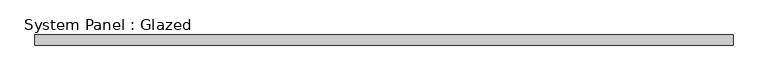
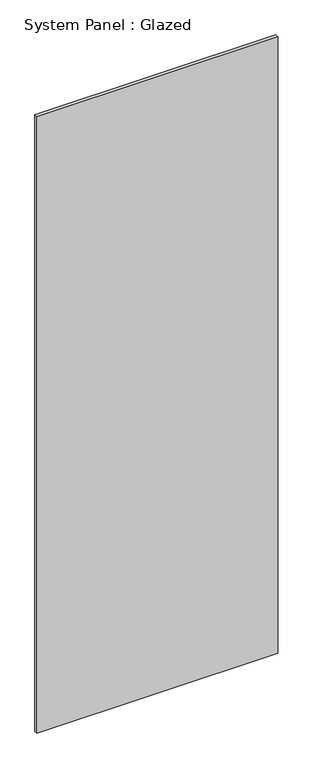
"""IFC4 building model written with IfcOpenShell, lengths in millimetres: plate geometry, System Panel : Glazed."""

import ifcopenshell
import ifcopenshell.guid

model = None  # the IFC model being written
_history = None  # IfcOwnerHistory: only IFC2X3 demands one
_inside = {}  # id of a spatial element -> (the spatial element, [elements in it])
_under = {}  # id of a project, library or spatial element -> (it, [spatial elements below it])
_declared = {}  # id of a project -> (the project, [libraries it declares])
_typed = {}  # id of a type object -> (the type object, [elements of that type])
_made_of = {}  # id of a material, layer set ... -> (it, [elements and type objects made of it])


def new_model(schema):
    """Start an empty IFC model of exactly this schema.

    Asked for "IFC4X3", IfcOpenShell would pick the latest addendum, in which some entities
    have other attributes; the version numbers below select the first issue.
    IFC2X3 requires an IfcOwnerHistory on every rooted entity: one is made here for all.
    """
    global model, _history
    if schema == "IFC4X3":
        model = ifcopenshell.file(schema_version=(4, 3, 0, 0))
    else:
        model = ifcopenshell.file(schema=schema)
    _inside.clear()
    _under.clear()
    _declared.clear()
    _typed.clear()
    _made_of.clear()
    _history = None
    if model.schema == "IFC2X3":
        org = make("IfcOrganization", Name="unknown")
        user = make(
            "IfcPersonAndOrganization",
            ThePerson=make("IfcPerson", FamilyName="unknown"),
            TheOrganization=org,
        )
        app = make(
            "IfcApplication",
            ApplicationDeveloper=org,
            Version="unknown",
            ApplicationFullName="unknown",
            ApplicationIdentifier="unknown",
        )
        _history = make(
            "IfcOwnerHistory",
            OwningUser=user,
            OwningApplication=app,
            ChangeAction="ADDED",
            CreationDate=0,
        )
    return model


def make(cls, **values):
    """One entity of the class cls with the attributes given. An attribute that is None is left unset."""
    return model.create_entity(
        cls, **{name: value for name, value in values.items() if value is not None}
    )


def rooted(cls, **values):
    """An entity with a GlobalId (a new one), such as an element, a storey or a relation."""
    return make(cls, GlobalId=ifcopenshell.guid.new(), OwnerHistory=_history, **values)


def si_unit(unit_type, name, prefix=None):
    """IfcSIUnit, for example si_unit("LENGTHUNIT", "METRE", prefix="MILLI")."""
    return make("IfcSIUnit", UnitType=unit_type, Prefix=prefix, Name=name)


def assignment(units):
    """IfcUnitAssignment: the units of a project."""
    return None if units is None else make("IfcUnitAssignment", Units=units)


def point(xyz):
    """IfcCartesianPoint."""
    return None if xyz is None else make("IfcCartesianPoint", Coordinates=xyz)


def direction(xyz):
    """IfcDirection."""
    return None if xyz is None else make("IfcDirection", DirectionRatios=xyz)


def frame(location, z_axis=None, x_axis=None):
    """IfcAxis2Placement3D, a coordinate frame: its origin and axes. An axis left out is left unset."""
    return make(
        "IfcAxis2Placement3D",
        Location=point(location),
        Axis=direction(z_axis),
        RefDirection=direction(x_axis),
    )


def origin():
    """The frame at (0, 0, 0) with its axes left unset."""
    return frame((0.0, 0.0, 0.0))


def origin_with_axes():
    """The frame at (0, 0, 0) with the z axis (0, 0, 1) and the x axis (1, 0, 0) written out."""
    return frame((0.0, 0.0, 0.0), z_axis=(0.0, 0.0, 1.0), x_axis=(1.0, 0.0, 0.0))


def place(relative_to, where):
    """IfcLocalPlacement: puts the frame where relative to a parent placement (None: the world)."""
    return make(
        "IfcLocalPlacement", PlacementRelTo=relative_to, RelativePlacement=where
    )


def context(
    kind, dimensions, precision=None, world=None, true_north=None, identifier=None
):
    """IfcGeometricRepresentationContext, for example the 3D "Model" context."""
    return make(
        "IfcGeometricRepresentationContext",
        ContextIdentifier=identifier,
        ContextType=kind,
        CoordinateSpaceDimension=dimensions,
        Precision=precision,
        WorldCoordinateSystem=world,
        TrueNorth=true_north,
    )


def project(units=None, contexts=None):
    """IfcProject with its units and contexts."""
    return rooted(
        "IfcProject",
        Name="project",
        RepresentationContexts=contexts,
        UnitsInContext=assignment(units),
    )


def spatial(cls, under=None, at=None, **own):
    """A site, building, storey or space (cls), placed at a placement, below another one or the project."""
    s = rooted(cls, ObjectPlacement=at, **own)
    if under is not None:
        _under.setdefault(under.id(), (under, []))[1].append(s)
    return s


def polyline(points):
    """IfcPolyline through the points."""
    return make("IfcPolyline", Points=[point(p) for p in points])


def outline(outer, holes=None, kind="AREA"):
    """IfcArbitraryClosedProfileDef: a profile drawn as a closed curve; with holes, ...WithVoids."""
    if holes is None:
        return make("IfcArbitraryClosedProfileDef", ProfileType=kind, OuterCurve=outer)
    return make(
        "IfcArbitraryProfileDefWithVoids",
        ProfileType=kind,
        OuterCurve=outer,
        InnerCurves=holes,
    )


def extrude(swept, where, along, depth):
    """IfcExtrudedAreaSolid: the profile swept, set in the frame where, extruded along a direction by depth."""
    return make(
        "IfcExtrudedAreaSolid",
        SweptArea=swept,
        Position=where,
        ExtrudedDirection=direction(along),
        Depth=depth,
    )


def shape(context_of_items, identifier, shape_type, items):
    """IfcShapeRepresentation: the items that make up one representation, for example the "Body"."""
    return make(
        "IfcShapeRepresentation",
        ContextOfItems=context_of_items,
        RepresentationIdentifier=identifier,
        RepresentationType=shape_type,
        Items=items,
    )


def source(mapping_origin, context_of_items, identifier, shape_type, items):
    """IfcRepresentationMap: a shape defined once, which mapped items show again and again."""
    return make(
        "IfcRepresentationMap",
        MappingOrigin=mapping_origin,
        MappedRepresentation=shape(context_of_items, identifier, shape_type, items),
    )


def transform(
    local_origin,
    x_axis=None,
    y_axis=None,
    z_axis=None,
    scale=None,
    scale2=None,
    scale3=None,
    uniform=True,
):
    """IfcCartesianTransformationOperator3D, or its non-uniform kind. x_axis, y_axis, z_axis: its Axis1, 2, 3."""
    if uniform:
        return make(
            "IfcCartesianTransformationOperator3D",
            Axis1=direction(x_axis),
            Axis2=direction(y_axis),
            LocalOrigin=point(local_origin),
            Scale=scale,
            Axis3=direction(z_axis),
        )
    return make(
        "IfcCartesianTransformationOperator3DnonUniform",
        Axis1=direction(x_axis),
        Axis2=direction(y_axis),
        LocalOrigin=point(local_origin),
        Scale=scale,
        Axis3=direction(z_axis),
        Scale2=scale2,
        Scale3=scale3,
    )


def mapped(mapping_source, mapping_target):
    """IfcMappedItem: shows the shape of a source again, moved by a transform."""
    return make(
        "IfcMappedItem", MappingSource=mapping_source, MappingTarget=mapping_target
    )


def made_of(thing, what):
    """Note that an element or type object is made of a material, layer set ...; save() writes the relation."""
    if what is not None:
        _made_of.setdefault(what.id(), (what, []))[1].append(thing)
    return thing


def element(
    cls,
    number,
    at=None,
    inside=None,
    cuts=None,
    type_object=None,
    material=None,
    context=None,
    identifier="Body",
    shape_type=None,
    held_by="IfcProductDefinitionShape",
    body=None,
    shapes=None,
    **own,
):
    """One element of the class cls, such as IfcWall. Its Tag is "e" and its number.

    at: its placement. inside: the storey or other place that contains it. cuts: it is an
    opening in that element (IfcRelVoidsElement). A single representation is given by context,
    identifier, shape_type and body (its items); several are given by shapes. held_by: the class
    of the entity that holds the representations. save() writes the other relations.
    """
    e = rooted(cls, Tag="e%d" % number, ObjectPlacement=at, **own)
    if body is not None:
        shapes = [shape(context, identifier, shape_type, body)]
    if shapes is not None:
        e.Representation = make(held_by, Representations=shapes)
    if inside is not None:
        _inside.setdefault(inside.id(), (inside, []))[1].append(e)
    if cuts is not None:
        rooted(
            "IfcRelVoidsElement", RelatingBuildingElement=cuts, RelatedOpeningElement=e
        )
    if type_object is not None:
        _typed.setdefault(type_object.id(), (type_object, []))[1].append(e)
    return made_of(e, material)


def aggregate(whole, parts):
    """IfcRelAggregates: a whole, such as a stair, and the parts it consists of."""
    return rooted("IfcRelAggregates", RelatingObject=whole, RelatedObjects=parts)


def save(model, path):
    """Write the relations noted so far, then the file.

    IfcRelAggregates (storeys below a building ...), IfcRelContainedInSpatialStructure (elements
    in a storey), IfcRelDefinesByType, IfcRelAssociatesMaterial and IfcRelDeclares: one each for
    every whole, place, type object, material and project.
    """
    for whole, parts in _under.values():
        aggregate(whole, parts)
    for where, things in _inside.values():
        rooted(
            "IfcRelContainedInSpatialStructure",
            RelatedElements=things,
            RelatingStructure=where,
        )
    for kind, things in _typed.values():
        rooted("IfcRelDefinesByType", RelatedObjects=things, RelatingType=kind)
    for what, things in _made_of.values():
        rooted("IfcRelAssociatesMaterial", RelatedObjects=things, RelatingMaterial=what)
    for by, libraries in _declared.values():
        rooted("IfcRelDeclares", RelatingContext=by, RelatedDefinitions=libraries)
    model.write(path)


def system_panel_glazed_bdf078fa(model_context):
    return source(origin(), model_context, "Body", "SweptSolid", [
        extrude(outline(polyline([(831.1220206, 24.5), (-831.1220206, 24.5), (-831.1220206, 49.5), (831.1220206, 49.5), (831.1220206, 24.5)])), origin_with_axes(), (0.0, 0.0, 1.0), 4500.0),
    ])


if __name__ == "__main__":
    model = new_model("IFC4")
    model_context = context("Model", 3, world=origin())
    ifc_project = project(units=[si_unit("LENGTHUNIT", "METRE", prefix="MILLI")], contexts=[model_context])
    site = spatial("IfcSite", under=ifc_project)
    building = spatial("IfcBuilding", under=site)
    placement = place(None, origin())
    system_panel_glazed_shape = system_panel_glazed_bdf078fa(model_context)
    element("IfcPlate", 1, ObjectType="System Panel : Glazed", at=placement, inside=building, context=model_context, shape_type="MappedRepresentation", body=[
        mapped(system_panel_glazed_shape, transform((0.0, 0.0, 0.0), x_axis=(1.0, 0.0, 0.0), y_axis=(0.0, 1.0, 0.0), z_axis=(0.0, 0.0, 1.0))),
    ])
    save(model, "model.ifc")
